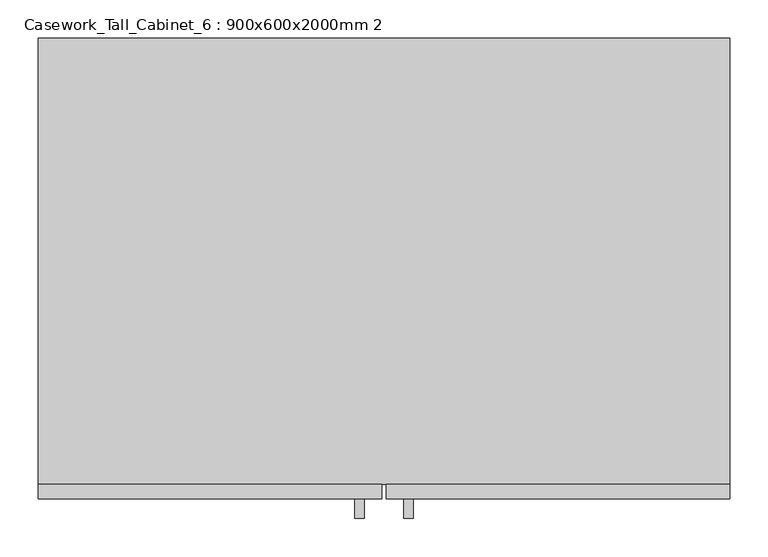
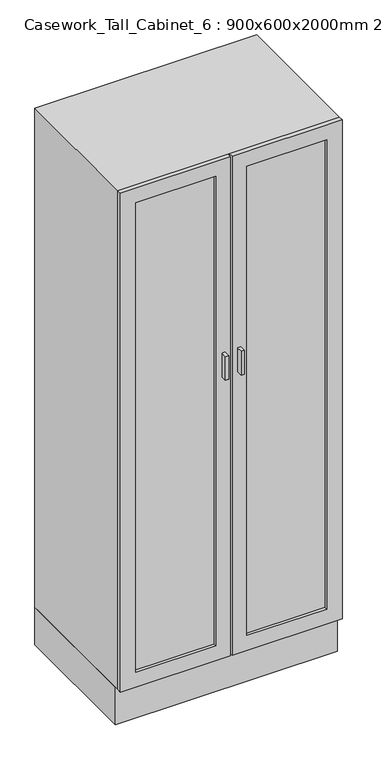
"""IFC4 building model written with IfcOpenShell, lengths in millimetres: furniture geometry, Casework_Tall_Cabinet_6 : 900x600x2000mm 2."""

from ifc_helpers import new_model, si_unit, frame, origin, origin_with_axes, place, context, project, spatial, polyline, outline, extrude, source, transform, mapped, element, save


def casework_tall_cabinet_6_900x600x2000mm_2_7bf0bb69(model_context):
    return source(origin(), model_context, "Body", "SweptSolid", [
        extrude(outline(polyline([(-6.6622951, -625.4), (-19.1945267, -625.4), (-19.1945267, -600.0), (-6.6622951, -600.0), (-6.6622951, -625.4)])), frame((0.0, 0.0, 1369.1042867), z_axis=(0.0, 0.0, 1.0), x_axis=(1.0, 0.0, 0.0)), (0.0, 0.0, 1.0), 101.6),
        extrude(outline(polyline([(56.6699365, -625.4), (44.1377049, -625.4), (44.1377049, -600.0), (56.6699365, -600.0), (56.6699365, -625.4)])), frame((0.0, 0.0, 1369.1042867), z_axis=(0.0, 0.0, 1.0), x_axis=(1.0, 0.0, 0.0)), (0.0, 0.0, 1.0), 101.6),
        extrude(outline(polyline([(-44.7622951, -587.3), (-367.7622951, -587.3), (-367.7622951, -580.95), (-44.7622951, -580.95), (-44.7622951, -587.3)])), frame((0.0, 0.0, 223.5), z_axis=(0.0, 0.0, 1.0), x_axis=(1.0, 0.0, 0.0)), (0.0, 0.0, 1.0), 2013.0),
        extrude(outline(polyline([(405.2377049, -587.3), (82.2377049, -587.3), (82.2377049, -580.95), (405.2377049, -580.95), (405.2377049, -587.3)])), frame((0.0, 0.0, 223.5), z_axis=(0.0, 0.0, 1.0), x_axis=(1.0, 0.0, 0.0)), (0.0, 0.0, 1.0), 2013.0),
        extrude(outline(polyline([(2300.0, 15.5627049), (2300.0, -431.2622951), (160.0, -431.2622951), (160.0, 15.5627049), (2300.0, 15.5627049)]), holes=[polyline([(2236.5, -44.7622951), (223.5, -44.7622951), (223.5, -367.7622951), (2236.5, -367.7622951), (2236.5, -44.7622951)])]), frame((0.0, -600.0, 0.0), z_axis=(0.0, 1.0, 0.0), x_axis=(0.0, 0.0, 1.0)), (0.0, 0.0, 1.0), 19.05),
        extrude(outline(polyline([(2300.0, 21.9127049), (160.0, 21.9127049), (160.0, 468.7377049), (2300.0, 468.7377049), (2300.0, 21.9127049)]), holes=[polyline([(2236.5, 405.2377049), (223.5, 405.2377049), (223.5, 82.2377049), (2236.5, 82.2377049), (2236.5, 405.2377049)])]), frame((0.0, -600.0, 0.0), z_axis=(0.0, 1.0, 0.0), x_axis=(0.0, 0.0, 1.0)), (0.0, 0.0, 1.0), 19.05),
        extrude(outline(polyline([(449.6877049, -19.05), (-412.2122951, -19.05), (-412.2122951, 0.0), (449.6877049, 0.0), (449.6877049, -19.05)])), frame((0.0, 0.0, 179.05), z_axis=(0.0, 0.0, 1.0), x_axis=(1.0, 0.0, 0.0)), (0.0, 0.0, 1.0), 2101.9),
        extrude(outline(polyline([(160.0, 468.7377049), (2300.0, 468.7377049), (2300.0, -431.2622951), (160.0, -431.2622951), (160.0, 468.7377049)]), holes=[polyline([(2280.95, 449.6877049), (179.05, 449.6877049), (179.05, -412.2122951), (2280.95, -412.2122951), (2280.95, 449.6877049)])]), frame((0.0, -580.95, 0.0), z_axis=(0.0, 1.0, 0.0), x_axis=(0.0, 0.0, 1.0)), (0.0, 0.0, 1.0), 580.95),
        extrude(outline(polyline([(468.7377049, 0.0), (468.7377049, -565.0), (-431.2622951, -565.0), (-431.2622951, 0.0), (468.7377049, 0.0)])), origin_with_axes(), (0.0, 0.0, 1.0), 160.0),
    ])


if __name__ == "__main__":
    model = new_model("IFC4")
    model_context = context("Model", 3, world=origin())
    ifc_project = project(units=[si_unit("LENGTHUNIT", "METRE", prefix="MILLI")], contexts=[model_context])
    site = spatial("IfcSite", under=ifc_project)
    building = spatial("IfcBuilding", under=site)
    placement = place(None, origin())
    casework_tall_cabinet_6_900x600x2000mm_2_shape = casework_tall_cabinet_6_900x600x2000mm_2_7bf0bb69(model_context)
    element("IfcFurniture", 1, ObjectType="Casework_Tall_Cabinet_6 : 900x600x2000mm 2", at=placement, inside=building, context=model_context, shape_type="MappedRepresentation", body=[
        mapped(casework_tall_cabinet_6_900x600x2000mm_2_shape, transform((0.0, 0.0, 0.0), x_axis=(1.0, 0.0, 0.0), y_axis=(0.0, 1.0, 0.0), z_axis=(0.0, 0.0, 1.0))),
    ])
    save(model, "model.ifc")
